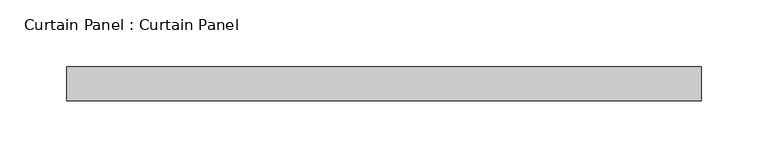
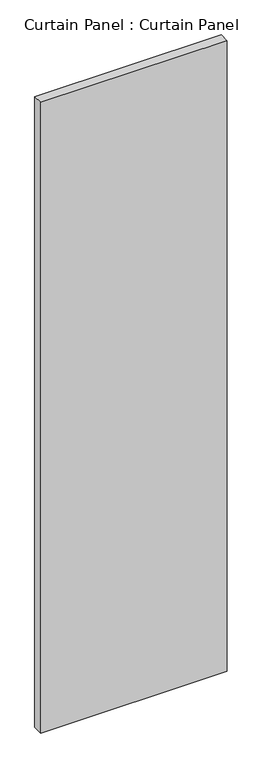
"""IFC4 building model written with IfcOpenShell, lengths in millimetres: plate geometry, Curtain Panel : Curtain Panel."""

from ifc_helpers import new_model, si_unit, frame, origin, place, context, project, spatial, polyline, outline, extrude, source, transform, mapped, element, save


def curtain_panel_curtain_panel_0ea4bbf7(model_context):
    return source(origin(), model_context, "Body", "SweptSolid", [
        extrude(outline(polyline([(-397518.5088615, 3494.4501496), (-397993.2597644, 3494.4501496), (-397993.2597644, 3519.8501496), (-397518.5088615, 3519.8501496), (-397518.5088615, 3494.4501496)])), frame((0.0, 0.0, 676.275), z_axis=(0.0, 0.0, 1.0), x_axis=(1.0, 0.0, 0.0)), (0.0, 0.0, 1.0), 1695.4499995),
    ])


if __name__ == "__main__":
    model = new_model("IFC4")
    model_context = context("Model", 3, world=origin())
    ifc_project = project(units=[si_unit("LENGTHUNIT", "METRE", prefix="MILLI")], contexts=[model_context])
    site = spatial("IfcSite", under=ifc_project)
    building = spatial("IfcBuilding", under=site)
    placement = place(None, origin())
    curtain_panel_curtain_panel_shape = curtain_panel_curtain_panel_0ea4bbf7(model_context)
    element("IfcPlate", 1, ObjectType="Curtain Panel : Curtain Panel", at=placement, inside=building, context=model_context, shape_type="MappedRepresentation", body=[
        mapped(curtain_panel_curtain_panel_shape, transform((0.0, 0.0, 0.0), x_axis=(1.0, 0.0, 0.0), y_axis=(0.0, 1.0, 0.0), z_axis=(0.0, 0.0, 1.0))),
    ])
    save(model, "model.ifc")
